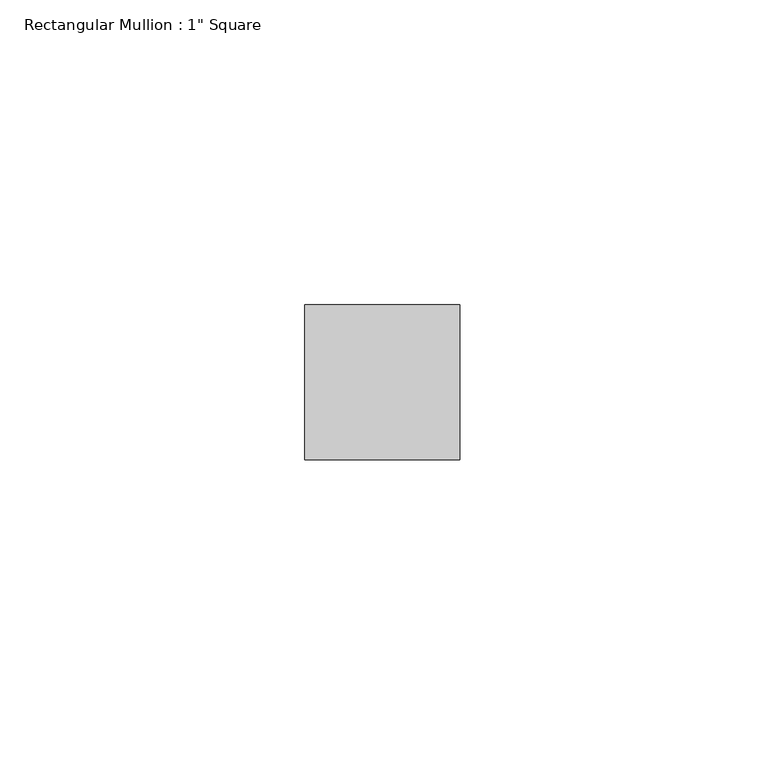
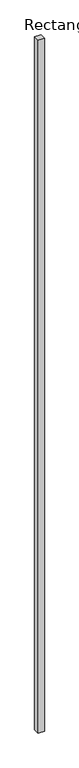
"""IFC4 building model written with IfcOpenShell, lengths in millimetres: member geometry."""

from ifc_helpers import new_model, si_unit, frame, origin, place, context, project, spatial, polyline, outline, extrude, source, transform, mapped, element, save


def member_cbdb9076(model_context):
    return source(origin(), model_context, "Body", "SweptSolid", [
        extrude(outline(polyline([(12.7, 12.7), (12.7, -12.7), (-12.7, -12.7), (-12.7, 12.7), (12.7, 12.7)])), frame((0.0, 0.0, -3048.0), z_axis=(0.0, 0.0, 1.0), x_axis=(1.0, 0.0, 0.0)), (0.0, 0.0, 1.0), 3048.0),
    ])


if __name__ == "__main__":
    model = new_model("IFC4")
    model_context = context("Model", 3, world=origin())
    ifc_project = project(units=[si_unit("LENGTHUNIT", "METRE", prefix="MILLI")], contexts=[model_context])
    site = spatial("IfcSite", under=ifc_project)
    building = spatial("IfcBuilding", under=site)
    placement = place(None, origin())
    member_shape = member_cbdb9076(model_context)
    element("IfcMember", 1, ObjectType="Rectangular Mullion : 1\" Square", at=placement, inside=building, context=model_context, shape_type="MappedRepresentation", body=[
        mapped(member_shape, transform((0.0, 0.0, 0.0), x_axis=(1.0, 0.0, 0.0), y_axis=(0.0, 1.0, 0.0), z_axis=(0.0, 0.0, 1.0))),
    ])
    save(model, "model.ifc")
